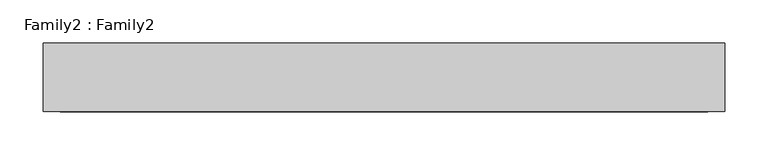
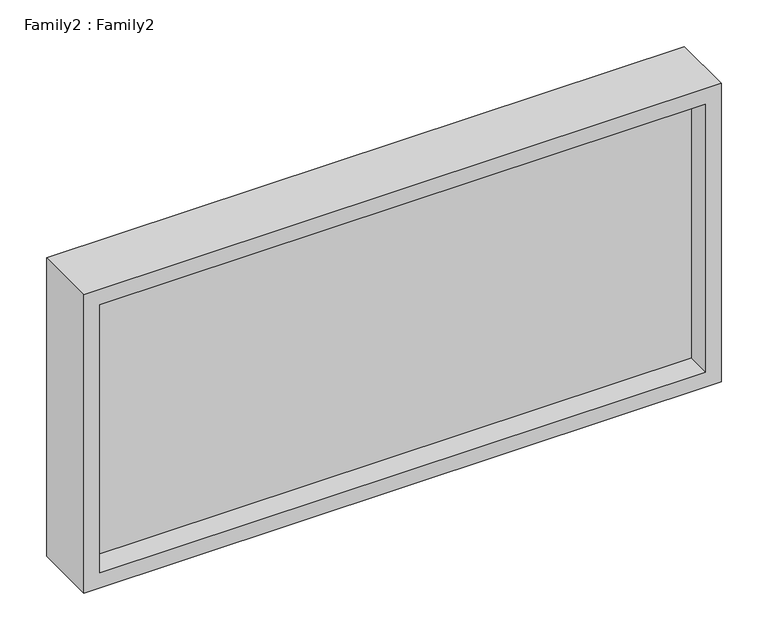
"""IFC4 building model written with IfcOpenShell, lengths in millimetres: plate geometry, Family2 : Family2."""

from ifc_helpers import new_model, si_unit, frame, origin, place, context, project, spatial, polyline, outline, extrude, source, transform, mapped, element, save


def family2_family2_a22945c6(model_context):
    return source(origin(), model_context, "Body", "SweptSolid", [
        extrude(outline(polyline([(391.6666667, -395.8333333), (0.0, -395.8333333), (0.0, 395.8333333), (391.6666667, 395.8333333), (391.6666667, -395.8333333)]), holes=[polyline([(20.0, -375.8333333), (371.6666667, -375.8333333), (371.6666667, 375.8333333), (20.0, 375.8333333), (20.0, -375.8333333)])]), frame((0.0, -40.0, 0.0), z_axis=(0.0, 1.0, 0.0), x_axis=(0.0, 0.0, 1.0)), (0.0, 0.0, 1.0), 80.0),
        extrude(outline(polyline([(375.8333333, -10.0), (-375.8333333, -10.0), (-375.8333333, 10.0), (375.8333333, 10.0), (375.8333333, -10.0)])), frame((0.0, 0.0, 20.0), z_axis=(0.0, 0.0, 1.0), x_axis=(1.0, 0.0, 0.0)), (0.0, 0.0, 1.0), 351.6666667),
    ])


if __name__ == "__main__":
    model = new_model("IFC4")
    model_context = context("Model", 3, world=origin())
    ifc_project = project(units=[si_unit("LENGTHUNIT", "METRE", prefix="MILLI")], contexts=[model_context])
    site = spatial("IfcSite", under=ifc_project)
    building = spatial("IfcBuilding", under=site)
    placement = place(None, origin())
    family2_family2_shape = family2_family2_a22945c6(model_context)
    element("IfcPlate", 1, ObjectType="Family2 : Family2", at=placement, inside=building, context=model_context, shape_type="MappedRepresentation", body=[
        mapped(family2_family2_shape, transform((0.0, 0.0, 0.0), x_axis=(1.0, 0.0, 0.0), y_axis=(0.0, 1.0, 0.0), z_axis=(0.0, 0.0, 1.0))),
    ])
    save(model, "model.ifc")
